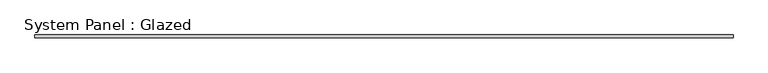
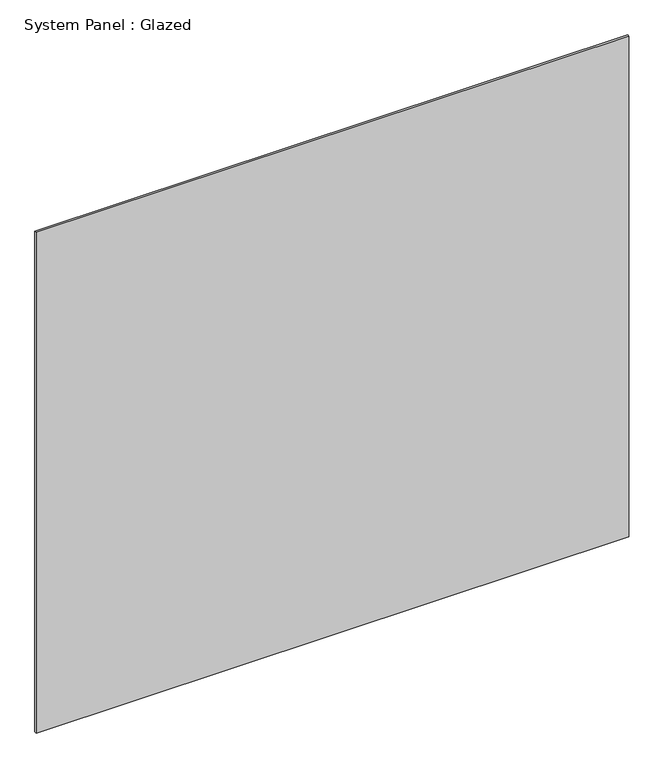
"""IFC4 building model written with IfcOpenShell, lengths in millimetres: plate geometry, System Panel : Glazed."""

from ifc_helpers import new_model, si_unit, origin, origin_with_axes, place, context, project, spatial, polyline, outline, extrude, source, transform, mapped, element, save


def system_panel_glazed_d3f322b2(model_context):
    return source(origin(), model_context, "Body", "SweptSolid", [
        extrude(outline(polyline([(3414.0153724, 19.05), (-3414.0153724, 19.05), (-3414.0153724, 44.45), (3414.0153724, 44.45), (3414.0153724, 19.05)])), origin_with_axes(), (0.0, 0.0, 1.0), 6096.0),
    ])


if __name__ == "__main__":
    model = new_model("IFC4")
    model_context = context("Model", 3, world=origin())
    ifc_project = project(units=[si_unit("LENGTHUNIT", "METRE", prefix="MILLI")], contexts=[model_context])
    site = spatial("IfcSite", under=ifc_project)
    building = spatial("IfcBuilding", under=site)
    placement = place(None, origin())
    system_panel_glazed_shape = system_panel_glazed_d3f322b2(model_context)
    element("IfcPlate", 1, ObjectType="System Panel : Glazed", at=placement, inside=building, context=model_context, shape_type="MappedRepresentation", body=[
        mapped(system_panel_glazed_shape, transform((0.0, 0.0, 0.0), x_axis=(1.0, 0.0, 0.0), y_axis=(0.0, 1.0, 0.0), z_axis=(0.0, 0.0, 1.0))),
    ])
    save(model, "model.ifc")
